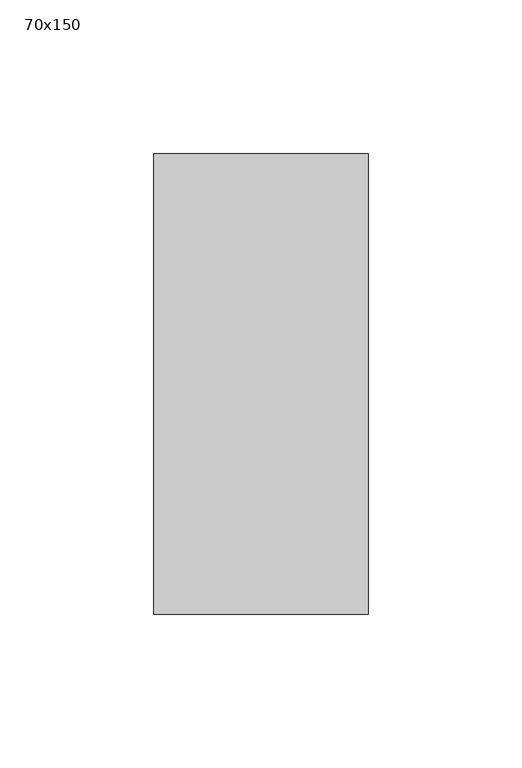
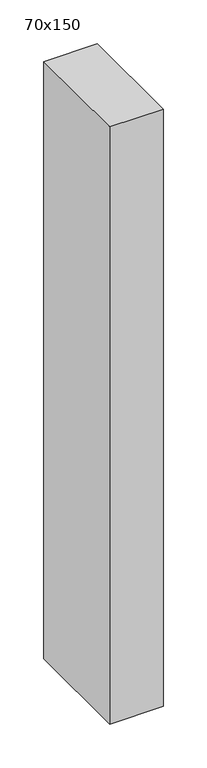
"""IFC4 building model written with IfcOpenShell, lengths in millimetres: member geometry, 70x150."""

from ifc_helpers import new_model, si_unit, frame, origin, place, context, project, spatial, polyline, outline, extrude, source, transform, mapped, element, save


def member_70x150_ad4265bc(model_context):
    return source(origin(), model_context, "Body", "SweptSolid", [
        extrude(outline(polyline([(35.0, 75.0), (35.0, -75.0), (-35.0, -75.0), (-35.0, 75.0), (35.0, 75.0)])), frame((0.0, 0.0, -830.0), z_axis=(0.0, 0.0, 1.0), x_axis=(1.0, 0.0, 0.0)), (0.0, 0.0, 1.0), 830.0),
    ])


if __name__ == "__main__":
    model = new_model("IFC4")
    model_context = context("Model", 3, world=origin())
    ifc_project = project(units=[si_unit("LENGTHUNIT", "METRE", prefix="MILLI")], contexts=[model_context])
    site = spatial("IfcSite", under=ifc_project)
    building = spatial("IfcBuilding", under=site)
    placement = place(None, origin())
    member_70x150_shape = member_70x150_ad4265bc(model_context)
    element("IfcMember", 1, ObjectType="70x150", at=placement, inside=building, context=model_context, shape_type="MappedRepresentation", body=[
        mapped(member_70x150_shape, transform((0.0, 0.0, 0.0), x_axis=(1.0, 0.0, 0.0), y_axis=(0.0, 1.0, 0.0), z_axis=(0.0, 0.0, 1.0))),
    ])
    save(model, "model.ifc")
